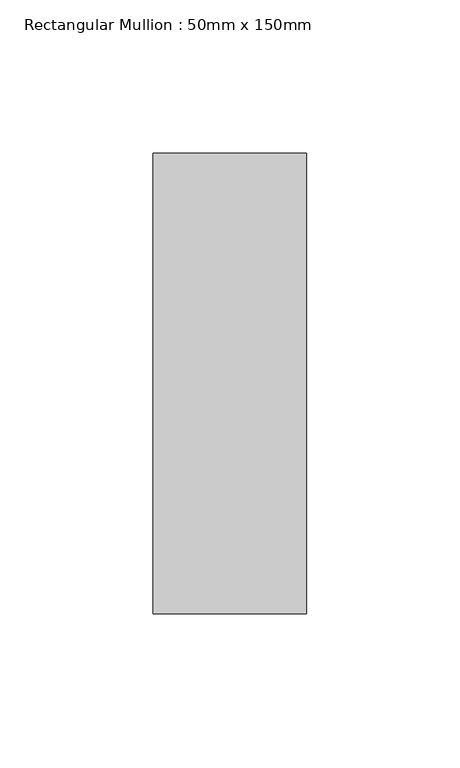
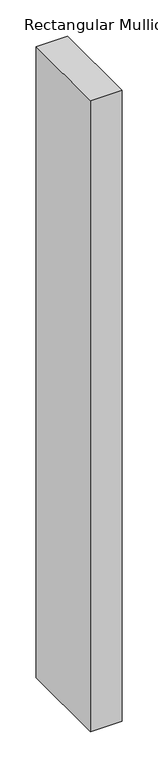
"""IFC4 building model written with IfcOpenShell, lengths in millimetres: member geometry, Rectangular Mullion : 50mm x 150mm."""

from ifc_helpers import new_model, si_unit, frame, origin, place, context, project, spatial, polyline, outline, extrude, source, transform, mapped, element, save


def rectangular_mullion_50mm_x_150mm_d0aaafbd(model_context):
    return source(origin(), model_context, "Body", "SweptSolid", [
        extrude(outline(polyline([(25.0, 75.0), (25.0, -75.0), (-25.0, -75.0), (-25.0, 75.0), (25.0, 75.0)])), frame((0.0, 0.0, -1061.5789476), z_axis=(0.0, 0.0, 1.0), x_axis=(1.0, 0.0, 0.0)), (0.0, 0.0, 1.0), 1061.5789476),
    ])


if __name__ == "__main__":
    model = new_model("IFC4")
    model_context = context("Model", 3, world=origin())
    ifc_project = project(units=[si_unit("LENGTHUNIT", "METRE", prefix="MILLI")], contexts=[model_context])
    site = spatial("IfcSite", under=ifc_project)
    building = spatial("IfcBuilding", under=site)
    placement = place(None, origin())
    rectangular_mullion_50mm_x_150mm_shape = rectangular_mullion_50mm_x_150mm_d0aaafbd(model_context)
    element("IfcMember", 1, ObjectType="Rectangular Mullion : 50mm x 150mm", at=placement, inside=building, context=model_context, shape_type="MappedRepresentation", body=[
        mapped(rectangular_mullion_50mm_x_150mm_shape, transform((0.0, 0.0, 0.0), x_axis=(1.0, 0.0, 0.0), y_axis=(0.0, 1.0, 0.0), z_axis=(0.0, 0.0, 1.0))),
    ])
    save(model, "model.ifc")
